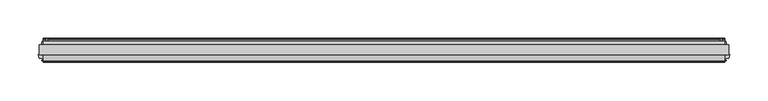
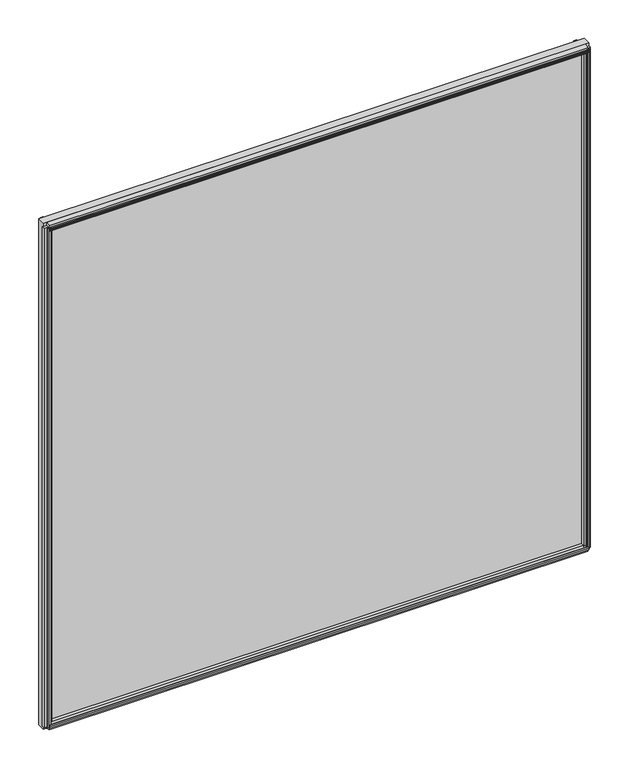
"""IFC4 building model written with IfcOpenShell, lengths in millimetres: plate geometry."""

from ifc_helpers import new_model, si_unit, frame, origin, place, context, project, spatial, polyline, outline, extrude, source, transform, mapped, element, save


def plate_1688fac1(model_context):
    return source(origin(), model_context, "Body", "SweptSolid", [
        extrude(outline(polyline([(450.8666846, -0.0460375), (450.8666846, -12.8984375), (-450.8666846, -12.8984375), (-450.8666846, -0.0460375), (450.8666846, -0.0460375)])), frame((0.0, 0.0, -25.4), z_axis=(0.0, 0.0, 1.0), x_axis=(1.0, 0.0, 0.0)), (0.0, 0.0, 1.0), 884.5249632),
        extrude(outline(polyline([(-12.8984375, 859.1590805), (-12.8984375, 845.3420306), (-17.6736375, 846.3409457), (-18.7846441, 850.4872789), (-21.5347434, 850.2500163), (-20.888384, 848.8191509), (-21.6734885, 848.6087827), (-22.6708491, 850.7607742), (-22.8831052, 853.1231337), (-22.0980007, 853.3335018), (-21.9423316, 851.7711563), (-19.4420445, 852.9407305), (-20.5530511, 857.0870637), (-12.8984375, 859.1590805)])), frame((-445.3104346, 0.0, 0.0), z_axis=(1.0, 0.0, 0.0), x_axis=(0.0, 1.0, 0.0)), (0.0, 0.0, 1.0), 890.6208692),
        extrude(outline(polyline([(4.8053625, 853.906368), (4.8053625, 849.613768), (7.5231625, 849.131168), (7.2691625, 850.680568), (8.0819625, 850.680568), (8.4883625, 848.343768), (8.0819625, 846.006968), (7.2691625, 846.006968), (7.5231625, 847.556368), (4.8053625, 847.073768), (4.8053625, 842.781168), (-0.0460375, 841.5477612), (-0.0460375, 855.1397747), (4.8053625, 853.906368)])), frame((-445.3104346, 0.0, 0.0), z_axis=(1.0, 0.0, 0.0), x_axis=(0.0, 1.0, 0.0)), (0.0, 0.0, 1.0), 890.6208692),
        extrude(outline(polyline([(444.5132376, -20.2926598), (444.0209204, -17.5766032), (439.7426454, -17.5766032), (438.5532812, -12.8984375), (452.054888, -12.8984375), (450.8678334, -17.5675189), (446.5609042, -17.5675189), (446.0880275, -20.2870275), (447.6408846, -20.0267543), (447.6408846, -20.8400217), (445.3040846, -21.2550375), (442.9672846, -20.8572426), (442.9672846, -20.0448993), (444.5132376, -20.2926598)])), frame((0.0, 0.0, -19.84375), z_axis=(0.0, 0.0, 1.0), x_axis=(1.0, 0.0, 0.0)), (0.0, 0.0, 1.0), 873.4124632),
        extrude(outline(polyline([(441.8716275, 7.6219525), (442.3471737, 4.8870913), (446.6553366, 4.8870913), (447.9095219, -0.0460375), (434.2658473, -0.0460375), (435.5262334, 4.9114812), (439.8045119, 4.9114812), (440.2968376, 7.6275848), (438.7494461, 7.3791279), (438.7494461, 8.1919227), (441.0876846, 8.5899625), (443.4230162, 8.1752075), (443.4201092, 7.3624127), (441.8716275, 7.6219525)])), frame((0.0, 0.0, -19.84375), z_axis=(0.0, 0.0, 1.0), x_axis=(1.0, 0.0, 0.0)), (0.0, 0.0, 1.0), 873.4124632),
        extrude(outline(polyline([(-446.0880275, -20.2870275), (-446.5635737, -17.5521663), (-450.8717366, -17.5521663), (-452.0522646, -12.9087562), (-438.5559046, -12.9087562), (-439.7426334, -17.5765562), (-444.0209119, -17.5765562), (-444.5132376, -20.2926598), (-442.9658461, -20.0442029), (-442.9658461, -20.8569977), (-445.3040846, -21.2550375), (-447.6394162, -20.8402825), (-447.6365092, -20.0274877), (-446.0880275, -20.2870275)])), frame((0.0, 0.0, -19.84375), z_axis=(0.0, 0.0, 1.0), x_axis=(1.0, 0.0, 0.0)), (0.0, 0.0, 1.0), 873.4124632),
        extrude(outline(polyline([(-440.3037417, 7.6219525), (-439.8281955, 4.8870913), (-435.5200326, 4.8870913), (-434.2658473, -0.0460375), (-447.9095219, -0.0460375), (-446.6491358, 4.9114812), (-442.3708574, 4.9114812), (-441.8785316, 7.6275848), (-443.4259232, 7.3791279), (-443.4259232, 8.1919227), (-441.0876846, 8.5899625), (-438.7523531, 8.1752075), (-438.7552601, 7.3624127), (-440.3037417, 7.6219525)])), frame((0.0, 0.0, -19.84375), z_axis=(0.0, 0.0, 1.0), x_axis=(1.0, 0.0, 0.0)), (0.0, 0.0, 1.0), 873.4124632),
        extrude(outline(polyline([(-12.8984375, -25.4341173), (-20.5530511, -23.3621005), (-19.4420445, -19.2157673), (-21.9423316, -18.0461931), (-22.0980007, -19.6085386), (-22.8831052, -19.3981705), (-22.6708491, -17.0358109), (-21.6734885, -14.8838195), (-20.888384, -15.0941876), (-21.5347434, -16.5250531), (-18.7846441, -16.7623157), (-17.6736375, -12.6159825), (-12.8984375, -11.6170674), (-12.8984375, -25.4341173)])), frame((-445.3104346, 0.0, 0.0), z_axis=(1.0, 0.0, 0.0), x_axis=(0.0, 1.0, 0.0)), (0.0, 0.0, 1.0), 890.6208692),
        extrude(outline(polyline([(4.8053625, -20.1814047), (-0.0460375, -21.4148115), (-0.0460375, -7.822798), (4.8053625, -9.0562047), (4.8053625, -13.3488047), (7.5231625, -13.8314047), (7.2691625, -12.2820047), (8.0819625, -12.2820047), (8.4883625, -14.6188047), (8.0819625, -16.9556047), (7.2691625, -16.9556047), (7.5231625, -15.4062047), (4.8053625, -15.8888047), (4.8053625, -20.1814047)])), frame((-445.3104346, 0.0, 0.0), z_axis=(1.0, 0.0, 0.0), x_axis=(0.0, 1.0, 0.0)), (0.0, 0.0, 1.0), 890.6208692),
    ])


if __name__ == "__main__":
    model = new_model("IFC4")
    model_context = context("Model", 3, world=origin())
    ifc_project = project(units=[si_unit("LENGTHUNIT", "METRE", prefix="MILLI")], contexts=[model_context])
    site = spatial("IfcSite", under=ifc_project)
    building = spatial("IfcBuilding", under=site)
    placement = place(None, origin())
    plate_shape = plate_1688fac1(model_context)
    element("IfcPlate", 1, at=placement, inside=building, context=model_context, shape_type="MappedRepresentation", body=[
        mapped(plate_shape, transform((0.0, 0.0, 0.0), x_axis=(1.0, 0.0, 0.0), y_axis=(0.0, 1.0, 0.0), z_axis=(0.0, 0.0, 1.0))),
    ])
    save(model, "model.ifc")
